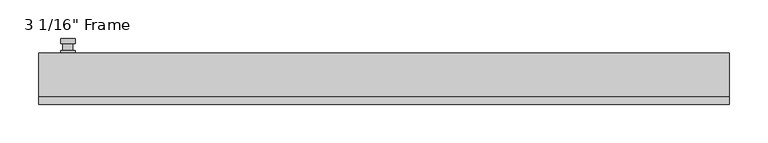
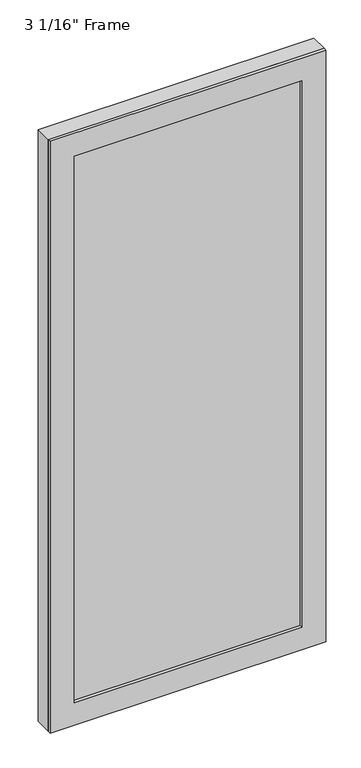
"""IFC4 building model written with IfcOpenShell, lengths in millimetres: plate geometry."""

import ifcopenshell
import ifcopenshell.guid

model = None  # the IFC model being written
_history = None  # IfcOwnerHistory: only IFC2X3 demands one
_inside = {}  # id of a spatial element -> (the spatial element, [elements in it])
_under = {}  # id of a project, library or spatial element -> (it, [spatial elements below it])
_declared = {}  # id of a project -> (the project, [libraries it declares])
_typed = {}  # id of a type object -> (the type object, [elements of that type])
_made_of = {}  # id of a material, layer set ... -> (it, [elements and type objects made of it])


def new_model(schema):
    """Start an empty IFC model of exactly this schema.

    Asked for "IFC4X3", IfcOpenShell would pick the latest addendum, in which some entities
    have other attributes; the version numbers below select the first issue.
    IFC2X3 requires an IfcOwnerHistory on every rooted entity: one is made here for all.
    """
    global model, _history
    if schema == "IFC4X3":
        model = ifcopenshell.file(schema_version=(4, 3, 0, 0))
    else:
        model = ifcopenshell.file(schema=schema)
    _inside.clear()
    _under.clear()
    _declared.clear()
    _typed.clear()
    _made_of.clear()
    _history = None
    if model.schema == "IFC2X3":
        org = make("IfcOrganization", Name="unknown")
        user = make(
            "IfcPersonAndOrganization",
            ThePerson=make("IfcPerson", FamilyName="unknown"),
            TheOrganization=org,
        )
        app = make(
            "IfcApplication",
            ApplicationDeveloper=org,
            Version="unknown",
            ApplicationFullName="unknown",
            ApplicationIdentifier="unknown",
        )
        _history = make(
            "IfcOwnerHistory",
            OwningUser=user,
            OwningApplication=app,
            ChangeAction="ADDED",
            CreationDate=0,
        )
    return model


def make(cls, **values):
    """One entity of the class cls with the attributes given. An attribute that is None is left unset."""
    return model.create_entity(
        cls, **{name: value for name, value in values.items() if value is not None}
    )


def rooted(cls, **values):
    """An entity with a GlobalId (a new one), such as an element, a storey or a relation."""
    return make(cls, GlobalId=ifcopenshell.guid.new(), OwnerHistory=_history, **values)


def si_unit(unit_type, name, prefix=None):
    """IfcSIUnit, for example si_unit("LENGTHUNIT", "METRE", prefix="MILLI")."""
    return make("IfcSIUnit", UnitType=unit_type, Prefix=prefix, Name=name)


def assignment(units):
    """IfcUnitAssignment: the units of a project."""
    return None if units is None else make("IfcUnitAssignment", Units=units)


def point(xyz):
    """IfcCartesianPoint."""
    return None if xyz is None else make("IfcCartesianPoint", Coordinates=xyz)


def direction(xyz):
    """IfcDirection."""
    return None if xyz is None else make("IfcDirection", DirectionRatios=xyz)


def frame(location, z_axis=None, x_axis=None):
    """IfcAxis2Placement3D, a coordinate frame: its origin and axes. An axis left out is left unset."""
    return make(
        "IfcAxis2Placement3D",
        Location=point(location),
        Axis=direction(z_axis),
        RefDirection=direction(x_axis),
    )


def origin():
    """The frame at (0, 0, 0) with its axes left unset."""
    return frame((0.0, 0.0, 0.0))


def place(relative_to, where):
    """IfcLocalPlacement: puts the frame where relative to a parent placement (None: the world)."""
    return make(
        "IfcLocalPlacement", PlacementRelTo=relative_to, RelativePlacement=where
    )


def context(
    kind, dimensions, precision=None, world=None, true_north=None, identifier=None
):
    """IfcGeometricRepresentationContext, for example the 3D "Model" context."""
    return make(
        "IfcGeometricRepresentationContext",
        ContextIdentifier=identifier,
        ContextType=kind,
        CoordinateSpaceDimension=dimensions,
        Precision=precision,
        WorldCoordinateSystem=world,
        TrueNorth=true_north,
    )


def project(units=None, contexts=None):
    """IfcProject with its units and contexts."""
    return rooted(
        "IfcProject",
        Name="project",
        RepresentationContexts=contexts,
        UnitsInContext=assignment(units),
    )


def spatial(cls, under=None, at=None, **own):
    """A site, building, storey or space (cls), placed at a placement, below another one or the project."""
    s = rooted(cls, ObjectPlacement=at, **own)
    if under is not None:
        _under.setdefault(under.id(), (under, []))[1].append(s)
    return s


def polyline(points):
    """IfcPolyline through the points."""
    return make("IfcPolyline", Points=[point(p) for p in points])


def circle_curve(where, radius):
    """IfcCircle in the frame where."""
    return make("IfcCircle", Position=where, Radius=radius)


def outline(outer, holes=None, kind="AREA"):
    """IfcArbitraryClosedProfileDef: a profile drawn as a closed curve; with holes, ...WithVoids."""
    if holes is None:
        return make("IfcArbitraryClosedProfileDef", ProfileType=kind, OuterCurve=outer)
    return make(
        "IfcArbitraryProfileDefWithVoids",
        ProfileType=kind,
        OuterCurve=outer,
        InnerCurves=holes,
    )


def extrude(swept, where, along, depth):
    """IfcExtrudedAreaSolid: the profile swept, set in the frame where, extruded along a direction by depth."""
    return make(
        "IfcExtrudedAreaSolid",
        SweptArea=swept,
        Position=where,
        ExtrudedDirection=direction(along),
        Depth=depth,
    )


def faces_of(points, faces, orient=None, outer=None):
    """IfcFace entities. A face is a list of loops; a loop is a list of indices into points, from 0.

    orient and outer hold one flag for each loop. By default every Orientation is true, the
    first loop of a face is its IfcFaceOuterBound and the others are IfcFaceBound.
    """
    made = []
    for i, loops in enumerate(faces):
        bounds = []
        for j, loop in enumerate(loops):
            is_outer = j == 0 if outer is None else outer[i][j]
            bounds.append(
                make(
                    "IfcFaceOuterBound" if is_outer else "IfcFaceBound",
                    Bound=make("IfcPolyLoop", Polygon=[points[k] for k in loop]),
                    Orientation=True if orient is None else orient[i][j],
                )
            )
        made.append(make("IfcFace", Bounds=bounds))
    return made


def faceted_brep(points, faces, orient=None, outer=None, voids=None):
    """IfcFacetedBrep: a solid bounded by flat faces; with voids (closed shells), ...WithVoids."""
    shared = [point(p) for p in points]
    hull = make("IfcClosedShell", CfsFaces=faces_of(shared, faces, orient, outer))
    if voids is None:
        return make("IfcFacetedBrep", Outer=hull)
    return make(
        "IfcFacetedBrepWithVoids",
        Outer=hull,
        Voids=[
            make(cls, CfsFaces=faces_of(shared, fs, o, b)) for cls, fs, o, b in voids
        ],
    )


def shape(context_of_items, identifier, shape_type, items):
    """IfcShapeRepresentation: the items that make up one representation, for example the "Body"."""
    return make(
        "IfcShapeRepresentation",
        ContextOfItems=context_of_items,
        RepresentationIdentifier=identifier,
        RepresentationType=shape_type,
        Items=items,
    )


def source(mapping_origin, context_of_items, identifier, shape_type, items):
    """IfcRepresentationMap: a shape defined once, which mapped items show again and again."""
    return make(
        "IfcRepresentationMap",
        MappingOrigin=mapping_origin,
        MappedRepresentation=shape(context_of_items, identifier, shape_type, items),
    )


def transform(
    local_origin,
    x_axis=None,
    y_axis=None,
    z_axis=None,
    scale=None,
    scale2=None,
    scale3=None,
    uniform=True,
):
    """IfcCartesianTransformationOperator3D, or its non-uniform kind. x_axis, y_axis, z_axis: its Axis1, 2, 3."""
    if uniform:
        return make(
            "IfcCartesianTransformationOperator3D",
            Axis1=direction(x_axis),
            Axis2=direction(y_axis),
            LocalOrigin=point(local_origin),
            Scale=scale,
            Axis3=direction(z_axis),
        )
    return make(
        "IfcCartesianTransformationOperator3DnonUniform",
        Axis1=direction(x_axis),
        Axis2=direction(y_axis),
        LocalOrigin=point(local_origin),
        Scale=scale,
        Axis3=direction(z_axis),
        Scale2=scale2,
        Scale3=scale3,
    )


def mapped(mapping_source, mapping_target):
    """IfcMappedItem: shows the shape of a source again, moved by a transform."""
    return make(
        "IfcMappedItem", MappingSource=mapping_source, MappingTarget=mapping_target
    )


def made_of(thing, what):
    """Note that an element or type object is made of a material, layer set ...; save() writes the relation."""
    if what is not None:
        _made_of.setdefault(what.id(), (what, []))[1].append(thing)
    return thing


def element(
    cls,
    number,
    at=None,
    inside=None,
    cuts=None,
    type_object=None,
    material=None,
    context=None,
    identifier="Body",
    shape_type=None,
    held_by="IfcProductDefinitionShape",
    body=None,
    shapes=None,
    **own,
):
    """One element of the class cls, such as IfcWall. Its Tag is "e" and its number.

    at: its placement. inside: the storey or other place that contains it. cuts: it is an
    opening in that element (IfcRelVoidsElement). A single representation is given by context,
    identifier, shape_type and body (its items); several are given by shapes. held_by: the class
    of the entity that holds the representations. save() writes the other relations.
    """
    e = rooted(cls, Tag="e%d" % number, ObjectPlacement=at, **own)
    if body is not None:
        shapes = [shape(context, identifier, shape_type, body)]
    if shapes is not None:
        e.Representation = make(held_by, Representations=shapes)
    if inside is not None:
        _inside.setdefault(inside.id(), (inside, []))[1].append(e)
    if cuts is not None:
        rooted(
            "IfcRelVoidsElement", RelatingBuildingElement=cuts, RelatedOpeningElement=e
        )
    if type_object is not None:
        _typed.setdefault(type_object.id(), (type_object, []))[1].append(e)
    return made_of(e, material)


def aggregate(whole, parts):
    """IfcRelAggregates: a whole, such as a stair, and the parts it consists of."""
    return rooted("IfcRelAggregates", RelatingObject=whole, RelatedObjects=parts)


def save(model, path):
    """Write the relations noted so far, then the file.

    IfcRelAggregates (storeys below a building ...), IfcRelContainedInSpatialStructure (elements
    in a storey), IfcRelDefinesByType, IfcRelAssociatesMaterial and IfcRelDeclares: one each for
    every whole, place, type object, material and project.
    """
    for whole, parts in _under.values():
        aggregate(whole, parts)
    for where, things in _inside.values():
        rooted(
            "IfcRelContainedInSpatialStructure",
            RelatedElements=things,
            RelatingStructure=where,
        )
    for kind, things in _typed.values():
        rooted("IfcRelDefinesByType", RelatedObjects=things, RelatingType=kind)
    for what, things in _made_of.values():
        rooted("IfcRelAssociatesMaterial", RelatedObjects=things, RelatingMaterial=what)
    for by, libraries in _declared.values():
        rooted("IfcRelDeclares", RelatingContext=by, RelatedDefinitions=libraries)
    model.write(path)


def plane_surface(at):
    """IfcPlane: the flat surface through the origin of the frame at, square to its z axis."""
    return make("IfcPlane", Position=at)


def cylinder_surface(at, radius):
    """IfcCylindricalSurface: all points at the distance radius from the z axis of the frame at."""
    return make("IfcCylindricalSurface", Position=at, Radius=radius)


def advanced_brep(points, edges, surfaces, faces):
    """IfcAdvancedBrep: a solid bounded by faces that lie on surfaces and meet in shared edges.

    An edge is (start, end): straight between two places in points (the first is 0);
    or (start, end, curve); or (start, end, curve, False) where it runs against its curve.
    A face is (place in surfaces, loops), or (place, loops, False) where it looks against
    its surface's normal. A loop lists edges by number (the first is 1), with a minus sign
    where the edge is run from its end to its start. The first loop is the outer one.
    """
    corners = [point(p) for p in points]
    vertices = [make("IfcVertexPoint", VertexGeometry=c) for c in corners]
    made = []
    for start, end, *more in edges:
        made.append(
            make(
                "IfcEdgeCurve",
                EdgeStart=vertices[start],
                EdgeEnd=vertices[end],
                EdgeGeometry=more[0] if more else make("IfcPolyline", Points=[corners[start], corners[end]]),
                SameSense=more[1] if len(more) > 1 else True,
            )
        )
    hull = []
    for where, loops, *sense in faces:
        bounds = []
        for j, loop in enumerate(loops):
            ring = [make("IfcOrientedEdge", EdgeElement=made[abs(k) - 1], Orientation=k > 0) for k in loop]
            bounds.append(
                make(
                    "IfcFaceOuterBound" if j == 0 else "IfcFaceBound",
                    Bound=make("IfcEdgeLoop", EdgeList=ring),
                    Orientation=True,
                )
            )
        hull.append(make("IfcAdvancedFace", Bounds=bounds, FaceSurface=surfaces[where], SameSense=sense[0] if sense else True))
    return make("IfcAdvancedBrep", Outer=make("IfcClosedShell", CfsFaces=hull))


def plate_d25c5ff0(model_context):
    return source(origin(), model_context, "Body", "SolidModel", [
        advanced_brep(
        [(-400.685, 33.3375, 927.1), (-419.735, 33.3375, 927.1), (-419.735, 33.3375, 901.7), (-400.685, 33.3375, 901.7), (-403.86, 46.0375, 914.4), (-403.86, 36.5125, 914.4), (-416.56, 36.5125, 914.4), (-416.56, 46.0375, 914.4), (-400.685, 46.0375, 914.4), (-419.735, 46.0375, 914.4), (-416.5559644, 46.0375, 825.2736467), (-403.8640356, 46.0375, 825.2736467), (-400.685, 52.3875, 914.4), (-403.8640356, 52.3875, 825.2736467), (-416.5559644, 52.3875, 825.2736467), (-419.735, 52.3875, 914.4), (-400.685, 36.5125, 927.1), (-400.685, 36.5125, 901.7), (-419.735, 36.5125, 901.7), (-419.735, 36.5125, 927.1)],
        [
            (0, 1, circle_curve(frame((-410.21, 33.3375, 927.1), z_axis=(0.0, -1.0, 0.0), x_axis=(-1.0, 0.0, 0.0)), 9.525)),
            (1, 2),
            (2, 3, circle_curve(frame((-410.21, 33.3375, 901.7), z_axis=(0.0, -1.0, 0.0), x_axis=(-1.0, 0.0, 0.0)), 9.525)),
            (3, 0),
            (4, 5),
            (5, 6, circle_curve(frame((-410.21, 36.5125, 914.4), z_axis=(0.0, 1.0, 0.0), x_axis=(-1.0, 0.0, 0.0)), 6.35)),
            (6, 7),
            (7, 4, circle_curve(frame((-410.21, 46.0375, 914.4), z_axis=(0.0, -1.0, 0.0), x_axis=(-1.0, 0.0, 0.0)), 6.35)),
            (6, 5, circle_curve(frame((-410.21, 36.5125, 914.4), z_axis=(0.0, 1.0, 0.0), x_axis=(-1.0, 0.0, 0.0)), 6.35)),
            (4, 7, circle_curve(frame((-410.21, 46.0375, 914.4), z_axis=(0.0, -1.0, 0.0), x_axis=(-1.0, 0.0, 0.0)), 6.35)),
            (8, 9, circle_curve(frame((-410.21, 46.0375, 914.4), z_axis=(0.0, -1.0, 0.0), x_axis=(-1.0, 0.0, 0.0)), 9.525)),
            (9, 10),
            (10, 11, circle_curve(frame((-410.21, 46.0375, 825.5), z_axis=(0.0, -1.0, 0.0), x_axis=(-1.0, 0.0, 0.0)), 6.35)),
            (11, 8),
            (12, 13),
            (13, 14, circle_curve(frame((-410.21, 52.3875, 825.5), z_axis=(0.0, 1.0, 0.0), x_axis=(-1.0, 0.0, 0.0)), 6.35)),
            (14, 15),
            (15, 12, circle_curve(frame((-410.21, 52.3875, 914.4), z_axis=(0.0, 1.0, 0.0), x_axis=(-1.0, 0.0, 0.0)), 9.525)),
            (11, 13),
            (12, 8),
            (10, 14),
            (9, 15),
            (16, 17),
            (17, 18, circle_curve(frame((-410.21, 36.5125, 901.7), z_axis=(0.0, 1.0, 0.0), x_axis=(-1.0, 0.0, 0.0)), 9.525)),
            (18, 19),
            (19, 16, circle_curve(frame((-410.21, 36.5125, 927.1), z_axis=(0.0, 1.0, 0.0), x_axis=(-1.0, 0.0, 0.0)), 9.525)),
            (3, 17),
            (16, 0),
            (2, 18),
            (1, 19),
        ],
        [
            plane_surface(frame((-416.56, 33.3375, 914.4), z_axis=(0.0, -1.0, 0.0), x_axis=(0.0, 0.0, 1.0))),
            cylinder_surface(frame((-410.21, 46.0375, 914.4), z_axis=(0.0, -1.0, 0.0), x_axis=(-1.0, 0.0, 0.0)), 6.35),
            plane_surface(frame((-400.685, 46.0375, 914.4), z_axis=(0.0, -1.0000000000000002, 0.0), x_axis=(-0.03564619348186888, 0.0, -0.9993644724975235))),
            plane_surface(frame((-400.685, 52.3875, 914.4), z_axis=(0.0, 1.0000000000000002, 0.0), x_axis=(0.03564619348186888, 0.0, 0.9993644724975235))),
            plane_surface(frame((-400.685, 46.0375, 914.4), z_axis=(0.9993644724975235, 0.0, -0.03564619348186888), x_axis=(0.0, 1.0, 0.0))),
            cylinder_surface(frame((-410.21, 52.3875, 825.5), z_axis=(0.0, -1.0, 0.0), x_axis=(-1.0, 0.0, 0.0)), 6.35),
            plane_surface(frame((-416.5559644, 46.0375, 825.2736467), z_axis=(-0.9993644724975228, 0.0, -0.03564619348188612), x_axis=(0.0, 1.0, 0.0))),
            cylinder_surface(frame((-410.21, 52.3875, 914.4), z_axis=(0.0, -1.0, 0.0), x_axis=(-1.0, 0.0, 0.0)), 9.525),
            plane_surface(frame((-400.685, 36.5125, 901.7), z_axis=(0.0, 1.0, 0.0), x_axis=(0.0, 0.0, 1.0))),
            plane_surface(frame((-400.685, 33.3375, 927.1), z_axis=(1.0, 0.0, 0.0), x_axis=(0.0, 1.0, 0.0))),
            cylinder_surface(frame((-410.21, 36.5125, 901.7), z_axis=(0.0, -1.0, 0.0), x_axis=(-1.0, 0.0, 0.0)), 9.525),
            plane_surface(frame((-419.735, 33.3375, 901.7), z_axis=(-1.0, 0.0, 0.0), x_axis=(0.0, 1.0, 0.0))),
            cylinder_surface(frame((-410.21, 36.5125, 927.1), z_axis=(0.0, -1.0, 0.0), x_axis=(-1.0, 0.0, 0.0)), 9.525),
        ],
        [
            (0, [[1, 2, 3, 4]]),
            (1, [[5, 6, 7, 8]]),
            (1, [[-7, 9, -5, 10]]),
            (2, [[11, 12, 13, 14], [-10, -8]]),
            (3, [[15, 16, 17, 18]]),
            (4, [[19, -15, 20, -14]]),
            (5, [[21, -16, -19, -13]]),
            (6, [[22, -17, -21, -12]]),
            (7, [[-20, -18, -22, -11]]),
            (8, [[23, 24, 25, 26], [-9, -6]]),
            (9, [[27, -23, 28, -4]]),
            (10, [[29, -24, -27, -3]]),
            (11, [[30, -25, -29, -2]]),
            (12, [[-28, -26, -30, -1]]),
        ],
    ),
        extrude(outline(polyline([(0.0, 448.31), (2035.175, 448.31), (2035.175, -448.31), (0.0, -448.31), (0.0, 448.31)]), holes=[polyline([(1957.3875, -370.5225), (1957.3875, 370.5225), (77.7875, 370.5225), (77.7875, -370.5225), (1957.3875, -370.5225)])]), frame((0.0, -33.3375, 0.0), z_axis=(0.0, 1.0, 0.0), x_axis=(0.0, 0.0, 1.0)), (0.0, 0.0, 1.0), 9.525),
        faceted_brep([(-448.31, 33.3375, 0.0), (448.31, 33.3375, 0.0), (448.31, -23.8125, 0.0), (-448.31, -23.8125, 0.0), (-448.31, -23.8125, 2035.175), (-448.31, 33.3375, 2035.175), (448.31, -23.8125, 2035.175), (-383.2225, -23.8125, 1970.0875), (383.2225, -23.8125, 1970.0875), (383.2225, -23.8125, 65.0875), (-383.2225, -23.8125, 65.0875), (-383.2225, 0.0, 65.0875), (-383.2225, 0.0, 1970.0875), (383.2225, 0.0, 65.0875), (383.2225, 0.0, 1970.0875), (-370.5225, 0.0, 1957.3875), (370.5225, 0.0, 1957.3875), (370.5225, 0.0, 77.7875), (-370.5225, 0.0, 77.7875), (-376.8725, 33.3375, 71.4375), (-376.8725, 33.3375, 1963.7375), (448.31, 33.3375, 2035.175), (376.8725, 33.3375, 1963.7375), (376.8725, 33.3375, 71.4375)], [[[0, 1, 2, 3]], [[3, 4, 5, 0]], [[2, 6, 4, 3], [7, 8, 9, 10]], [[7, 10, 11, 12]], [[12, 11, 13, 14], [15, 16, 17, 18]], [[15, 18, 19, 20]], [[5, 21, 1, 0], [22, 20, 19, 23]], [[4, 6, 21, 5]], [[7, 12, 14, 8]], [[15, 20, 22, 16]], [[2, 1, 21, 6]], [[13, 9, 8, 14]], [[22, 23, 17, 16]], [[19, 18, 17, 23]], [[9, 13, 11, 10]]]),
        extrude(outline(polyline([(383.2225, 0.0), (383.2225, -23.8125), (-383.2225, -23.8125), (-383.2225, 0.0), (383.2225, 0.0)])), frame((0.0, 0.0, 65.0875), z_axis=(0.0, 0.0, 1.0), x_axis=(1.0, 0.0, 0.0)), (0.0, 0.0, 1.0), 1905.0),
    ])


if __name__ == "__main__":
    model = new_model("IFC4")
    model_context = context("Model", 3, world=origin())
    ifc_project = project(units=[si_unit("LENGTHUNIT", "METRE", prefix="MILLI")], contexts=[model_context])
    site = spatial("IfcSite", under=ifc_project)
    building = spatial("IfcBuilding", under=site)
    placement = place(None, origin())
    plate_shape = plate_d25c5ff0(model_context)
    element("IfcPlate", 1, ObjectType="3 1/16\" Frame", at=placement, inside=building, context=model_context, shape_type="MappedRepresentation", body=[
        mapped(plate_shape, transform((0.0, 0.0, 0.0), x_axis=(1.0, 0.0, 0.0), y_axis=(0.0, 1.0, 0.0), z_axis=(0.0, 0.0, 1.0))),
    ])
    save(model, "model.ifc")
